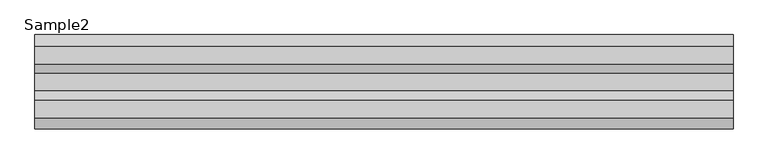
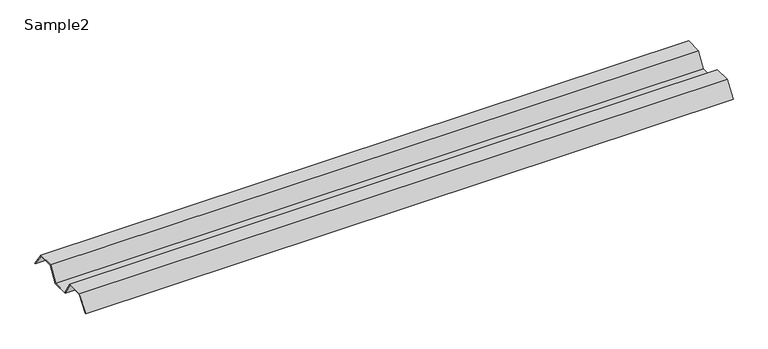
"""IFC4 building model written with IfcOpenShell, lengths in millimetres: proxy geometry, Sample2."""

from ifc_helpers import new_model, si_unit, frame, origin, place, context, project, spatial, polyline, outline, extrude, source, transform, mapped, element, save


def sample2_b9b0f3ee(model_context):
    return source(origin(), model_context, "Body", "SweptSolid", [
        extrude(outline(polyline([(145.0500027, 0.0), (111.0877822, 48.0), (57.1001053, 48.0), (28.6623259, 0.0), (-28.6618954, 0.0), (-57.0591173, 48.0), (-111.1363424, 48.0), (-145.0511434, 0.0), (-147.5, 0.0), (-112.1720823, 50.0), (-55.918544, 50.0), (-27.5213222, 2.0), (27.5225816, 2.0), (55.9603611, 50.0), (112.122687, 50.0), (147.5, 0.0), (145.0500027, 0.0)])), frame((0.0, 0.0, 0.0), z_axis=(1.0, 0.0, 0.0), x_axis=(0.0, 1.0, 0.0)), (0.0, 0.0, 1.0), 2178.0),
    ])


if __name__ == "__main__":
    model = new_model("IFC4")
    model_context = context("Model", 3, world=origin())
    ifc_project = project(units=[si_unit("LENGTHUNIT", "METRE", prefix="MILLI")], contexts=[model_context])
    site = spatial("IfcSite", under=ifc_project)
    building = spatial("IfcBuilding", under=site)
    placement = place(None, origin())
    sample2_shape = sample2_b9b0f3ee(model_context)
    element("IfcBuildingElementProxy", 1, Name="Sample2", ObjectType="Sample2", at=placement, inside=building, context=model_context, shape_type="MappedRepresentation", body=[
        mapped(sample2_shape, transform((0.0, 0.0, 0.0), x_axis=(1.0, 0.0, 0.0), y_axis=(0.0, 1.0, 0.0), z_axis=(0.0, 0.0, 1.0))),
    ])
    save(model, "model.ifc")
